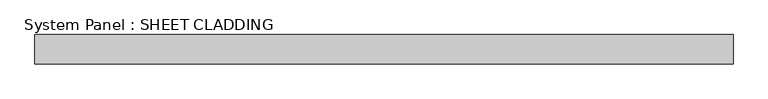
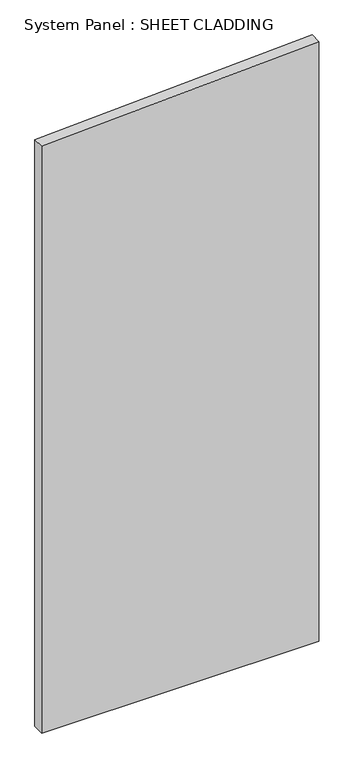
"""IFC4 building model written with IfcOpenShell, lengths in millimetres: plate geometry, System Panel : SHEET CLADDING."""

from ifc_helpers import new_model, si_unit, frame, origin, place, context, project, spatial, polyline, outline, extrude, source, transform, mapped, element, save


def system_panel_sheet_cladding_b01bf1af(model_context):
    return source(origin(), model_context, "Body", "SweptSolid", [
        extrude(outline(polyline([(0.0, -718.75), (0.0, 718.75), (3288.225, 718.75), (3216.35, -718.75), (0.0, -718.75)])), frame((0.0, -49.5, 0.0), z_axis=(0.0, 1.0, 0.0), x_axis=(0.0, 0.0, 1.0)), (0.0, 0.0, 1.0), 60.0),
    ])


if __name__ == "__main__":
    model = new_model("IFC4")
    model_context = context("Model", 3, world=origin())
    ifc_project = project(units=[si_unit("LENGTHUNIT", "METRE", prefix="MILLI")], contexts=[model_context])
    site = spatial("IfcSite", under=ifc_project)
    building = spatial("IfcBuilding", under=site)
    placement = place(None, origin())
    system_panel_sheet_cladding_shape = system_panel_sheet_cladding_b01bf1af(model_context)
    element("IfcPlate", 1, ObjectType="System Panel : SHEET CLADDING", at=placement, inside=building, context=model_context, shape_type="MappedRepresentation", body=[
        mapped(system_panel_sheet_cladding_shape, transform((0.0, 0.0, 0.0), x_axis=(1.0, 0.0, 0.0), y_axis=(0.0, 1.0, 0.0), z_axis=(0.0, 0.0, 1.0))),
    ])
    save(model, "model.ifc")
